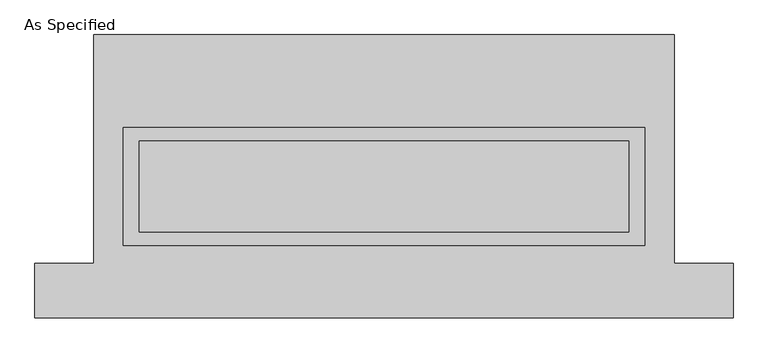
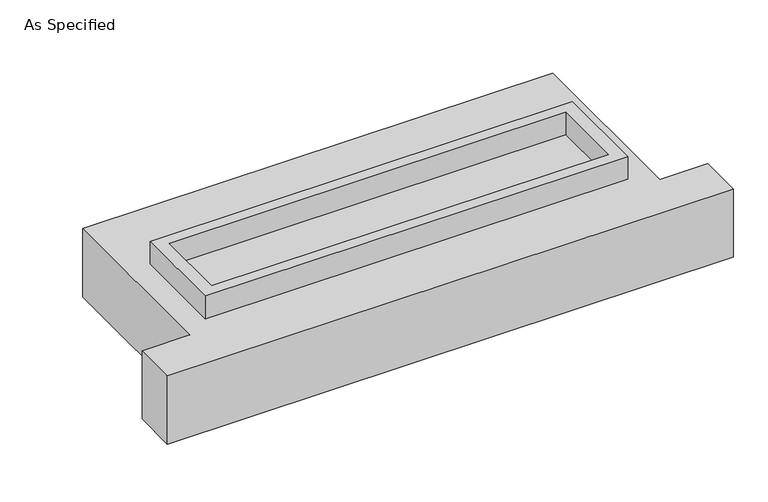
"""IFC4 building model written with IfcOpenShell, lengths in millimetres: proxy geometry, As Specified."""

from ifc_helpers import new_model, si_unit, frame, origin, place, context, project, spatial, polyline, outline, extrude, source, transform, mapped, element, save


def as_specified_559859c7(model_context):
    return source(origin(), model_context, "Body", "SweptSolid", [
        extrude(outline(polyline([(1460.5, 273.05), (1460.5, -387.35), (-1460.5, -387.35), (-1460.5, 273.05), (1460.5, 273.05)]), holes=[polyline([(1371.6, 196.85), (-1371.6, 196.85), (-1371.6, -311.15), (1371.6, -311.15), (1371.6, 196.85)])]), frame((0.0, 0.0, -688.975), z_axis=(0.0, 0.0, 1.0), x_axis=(1.0, 0.0, 0.0)), (0.0, 0.0, 1.0), 165.1),
        extrude(outline(polyline([(1460.5, 273.05), (1460.5, -387.35), (-1460.5, -387.35), (-1460.5, 273.05), (1460.5, 273.05)]), holes=[polyline([(1371.6, 196.85), (-1371.6, 196.85), (-1371.6, -311.15), (1371.6, -311.15), (1371.6, 196.85)])]), frame((0.0, 0.0, -25.4), z_axis=(0.0, 0.0, 1.0), x_axis=(1.0, 0.0, 0.0)), (0.0, 0.0, 1.0), 165.1),
        extrude(outline(polyline([(1371.6, 196.85), (1371.6, -311.15), (-1371.6, -311.15), (-1371.6, 196.85), (1371.6, 196.85)])), frame((0.0, 0.0, -523.875), z_axis=(0.0, 0.0, 1.0), x_axis=(1.0, 0.0, 0.0)), (0.0, 0.0, 1.0), 4.9609375),
        extrude(outline(polyline([(1371.6, 196.85), (1371.6, -311.15), (-1371.6, -311.15), (-1371.6, 196.85), (1371.6, 196.85)])), frame((0.0, 0.0, -30.3609375), z_axis=(0.0, 0.0, 1.0), x_axis=(1.0, 0.0, 0.0)), (0.0, 0.0, 1.0), 4.9609375),
        extrude(outline(polyline([(-1625.6, 793.75), (1625.6, 793.75), (1625.6, -488.95), (1955.8, -488.95), (1955.8, -793.75), (-1955.8, -793.75), (-1955.8, -488.95), (-1625.6, -488.95), (-1625.6, 793.75)]), holes=[polyline([(-1460.5, 273.05), (-1460.5, -387.35), (1460.5, -387.35), (1460.5, 273.05), (-1460.5, 273.05)])]), frame((0.0, 0.0, -523.875), z_axis=(0.0, 0.0, 1.0), x_axis=(1.0, 0.0, 0.0)), (0.0, 0.0, 1.0), 498.475),
    ])


if __name__ == "__main__":
    model = new_model("IFC4")
    model_context = context("Model", 3, world=origin())
    ifc_project = project(units=[si_unit("LENGTHUNIT", "METRE", prefix="MILLI")], contexts=[model_context])
    site = spatial("IfcSite", under=ifc_project)
    building = spatial("IfcBuilding", under=site)
    placement = place(None, origin())
    as_specified_shape = as_specified_559859c7(model_context)
    element("IfcBuildingElementProxy", 1, Name="As Specified", ObjectType="As Specified", at=placement, inside=building, context=model_context, shape_type="MappedRepresentation", body=[
        mapped(as_specified_shape, transform((0.0, 0.0, 0.0), x_axis=(1.0, 0.0, 0.0), y_axis=(0.0, 1.0, 0.0), z_axis=(0.0, 0.0, 1.0))),
    ])
    save(model, "model.ifc")
